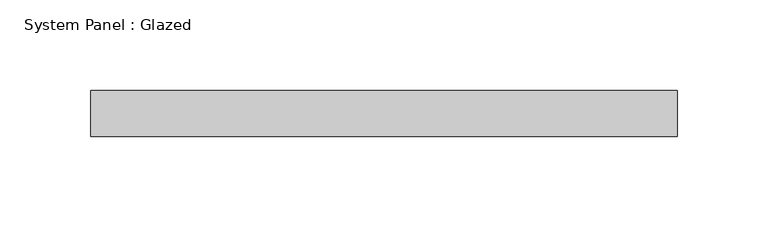
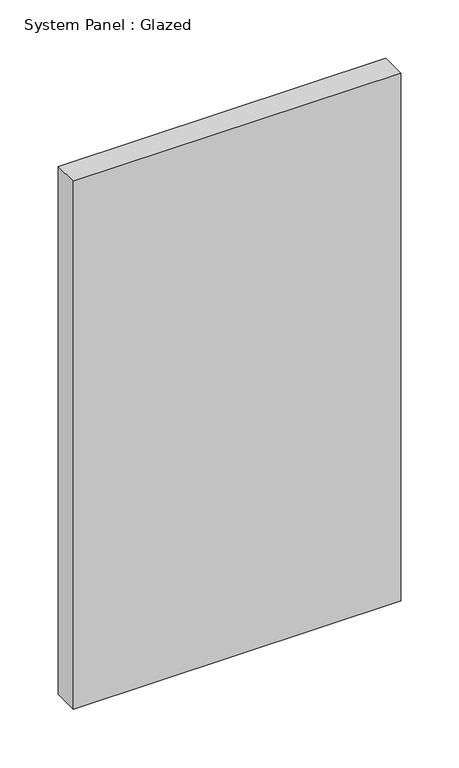
"""IFC4 building model written with IfcOpenShell, lengths in millimetres: plate geometry, System Panel : Glazed."""

from ifc_helpers import new_model, si_unit, origin, origin_with_axes, place, context, project, spatial, polyline, outline, extrude, source, transform, mapped, element, save


def system_panel_glazed_39ffffa9(model_context):
    return source(origin(), model_context, "Body", "SweptSolid", [
        extrude(outline(polyline([(161.925, -12.7), (-161.925, -12.7), (-161.925, 12.7), (161.925, 12.7), (161.925, -12.7)])), origin_with_axes(), (0.0, 0.0, 1.0), 552.45),
    ])


if __name__ == "__main__":
    model = new_model("IFC4")
    model_context = context("Model", 3, world=origin())
    ifc_project = project(units=[si_unit("LENGTHUNIT", "METRE", prefix="MILLI")], contexts=[model_context])
    site = spatial("IfcSite", under=ifc_project)
    building = spatial("IfcBuilding", under=site)
    placement = place(None, origin())
    system_panel_glazed_shape = system_panel_glazed_39ffffa9(model_context)
    element("IfcPlate", 1, ObjectType="System Panel : Glazed", at=placement, inside=building, context=model_context, shape_type="MappedRepresentation", body=[
        mapped(system_panel_glazed_shape, transform((0.0, 0.0, 0.0), x_axis=(1.0, 0.0, 0.0), y_axis=(0.0, 1.0, 0.0), z_axis=(0.0, 0.0, 1.0))),
    ])
    save(model, "model.ifc")
